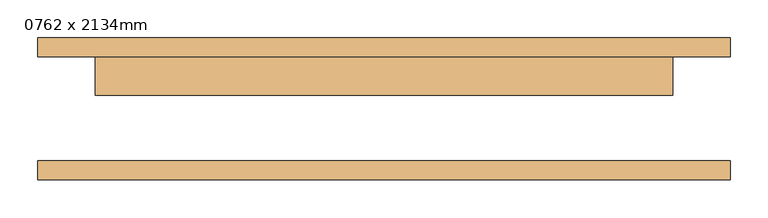
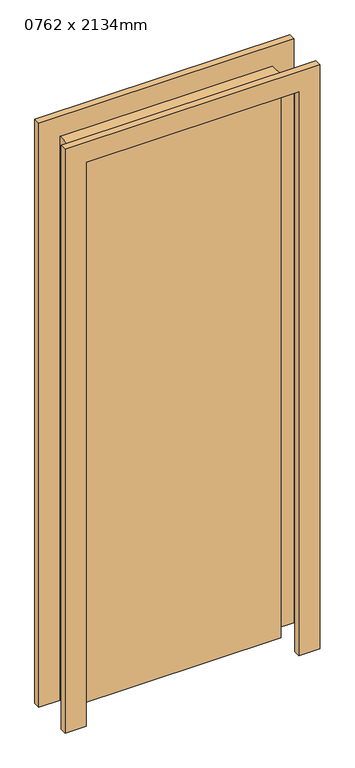
"""IFC4 building model written with IfcOpenShell, lengths in millimetres: door geometry, 0762 x 2134mm."""

from ifc_helpers import new_model, si_unit, frame, origin, origin_with_axes, place, context, project, spatial, polyline, outline, extrude, source, transform, mapped, element, save


def door_0762_x_2134mm_64e18f2a(model_context):
    return source(origin(), model_context, "Body", "SweptSolid", [
        extrude(outline(polyline([(2210.0, -457.0), (0.0, -457.0), (0.0, -381.0), (2134.0, -381.0), (2134.0, 381.0), (0.0, 381.0), (0.0, 457.0), (2210.0, 457.0), (2210.0, -457.0)])), frame((0.0, 68.5, 0.0), z_axis=(0.0, 1.0, 0.0), x_axis=(0.0, 0.0, 1.0)), (0.0, 0.0, 1.0), 25.0),
        extrude(outline(polyline([(2210.0, 457.0), (2210.0, -457.0), (0.0, -457.0), (0.0, -381.0), (2134.0, -381.0), (2134.0, 381.0), (0.0, 381.0), (0.0, 457.0), (2210.0, 457.0)])), frame((0.0, -93.5, 0.0), z_axis=(0.0, 1.0, 0.0), x_axis=(0.0, 0.0, 1.0)), (0.0, 0.0, 1.0), 25.0),
        extrude(outline(polyline([(381.0, 17.5), (-381.0, 17.5), (-381.0, 68.5), (381.0, 68.5), (381.0, 17.5)])), origin_with_axes(), (0.0, 0.0, 1.0), 2134.0),
    ])


if __name__ == "__main__":
    model = new_model("IFC4")
    model_context = context("Model", 3, world=origin())
    ifc_project = project(units=[si_unit("LENGTHUNIT", "METRE", prefix="MILLI")], contexts=[model_context])
    site = spatial("IfcSite", under=ifc_project)
    building = spatial("IfcBuilding", under=site)
    placement = place(None, origin())
    door_0762_x_2134mm_shape = door_0762_x_2134mm_64e18f2a(model_context)
    element("IfcDoor", 1, ObjectType="0762 x 2134mm", at=placement, inside=building, context=model_context, shape_type="MappedRepresentation", body=[
        mapped(door_0762_x_2134mm_shape, transform((0.0, 0.0, 0.0), x_axis=(1.0, 0.0, 0.0), y_axis=(0.0, 1.0, 0.0), z_axis=(0.0, 0.0, 1.0))),
    ])
    save(model, "model.ifc")
